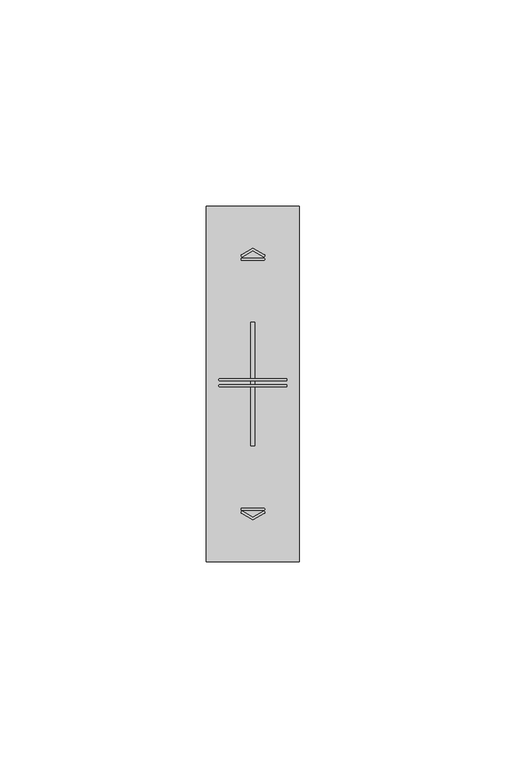
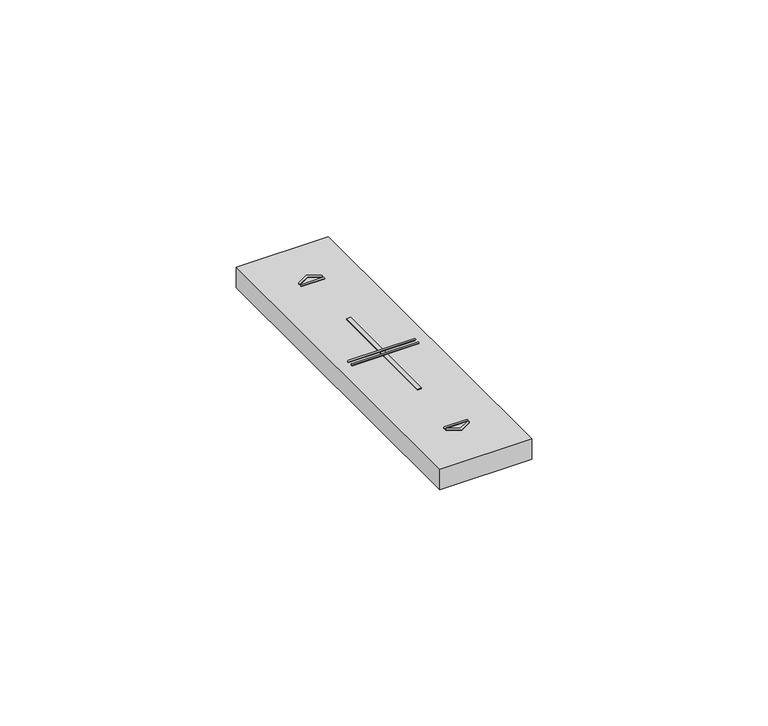
"""IFC4 building model written with IfcOpenShell, lengths in millimetres: proxy geometry."""

from ifc_helpers import new_model, si_unit, point, frame, frame_2d, origin, place, context, project, spatial, polyline, circle_curve, trimmed, segment, composite_curve, outline, extrude, source, transform, mapped, element, save


def electrical_fixtures_6e4eb316(model_context):
    return source(origin(), model_context, "Body", "SweptSolid", [
        extrude(outline(composite_curve([segment(polyline([(8.5092079, 74.3175033), (11.25, 75.8674578), (13.9907962, 74.3175011)]), True, "CONTINUOUS"), segment(trimmed(circle_curve(frame_2d((13.858088, 74.0828325)), 0.2695938), [point((13.9907962, 74.3175011))], [point((13.7253797, 73.8481639))], False, "CARTESIAN"), True, "CONTINUOUS"), segment(polyline([(13.7253797, 73.8481639), (11.25, 75.2480241), (8.7746243, 73.8481662)]), True, "CONTINUOUS"), segment(trimmed(circle_curve(frame_2d((8.6419161, 74.0828348)), 0.2695938), [point((8.7746243, 73.8481662))], [point((8.5092079, 74.3175033))], False, "CARTESIAN"), True, "CONTINUOUS")], self_intersect=False)), frame((0.0, 0.0, 10.7), z_axis=(0.0, 0.0, 1.0), x_axis=(1.0, 0.0, 0.0)), (0.0, 0.0, 1.0), 0.1652311),
        extrude(outline(composite_curve([segment(polyline([(3.2466743, 44.2699983), (19.2533298, 44.2699983)]), True, "CONTINUOUS"), segment(trimmed(circle_curve(frame_2d((19.2533298, 44.0206464)), 0.249352), [point((19.2533298, 44.2699983))], [point((19.2533298, 43.7712944))], False, "CARTESIAN"), True, "CONTINUOUS"), segment(polyline([(19.2533298, 43.7712944), (3.2466743, 43.7712944)]), True, "CONTINUOUS"), segment(trimmed(circle_curve(frame_2d((3.2466743, 44.0206464)), 0.249352), [point((3.2466743, 43.7712944))], [point((3.2466743, 44.2699983))], False, "CARTESIAN"), True, "CONTINUOUS")], self_intersect=False)), frame((0.0, 0.0, 10.7), z_axis=(0.0, 0.0, 1.0), x_axis=(1.0, 0.0, 0.0)), (0.0, 0.0, 1.0), 0.1652311),
        extrude(outline(composite_curve([segment(trimmed(circle_curve(frame_2d((8.6419161, 11.9171652)), 0.2695938), [point((8.5092079, 11.6824967))], [point((8.7746243, 12.1518338))], False, "CARTESIAN"), True, "CONTINUOUS"), segment(polyline([(8.7746243, 12.1518338), (11.25, 10.7519759), (13.7253797, 12.1518361)]), True, "CONTINUOUS"), segment(trimmed(circle_curve(frame_2d((13.858088, 11.9171675)), 0.2695938), [point((13.7253797, 12.1518361))], [point((13.9907962, 11.6824989))], False, "CARTESIAN"), True, "CONTINUOUS"), segment(polyline([(13.9907962, 11.6824989), (11.25, 10.1325422), (8.5092079, 11.6824967)]), True, "CONTINUOUS")], self_intersect=False)), frame((0.0, 0.0, 10.7), z_axis=(0.0, 0.0, 1.0), x_axis=(1.0, 0.0, 0.0)), (0.0, 0.0, 1.0), 0.1652311),
        extrude(outline(composite_curve([segment(trimmed(circle_curve(frame_2d((8.6216743, 73.2222454)), 0.249352), [point((8.6216743, 72.9728934))], [point((8.6216743, 73.4715974))], False, "CARTESIAN"), True, "CONTINUOUS"), segment(polyline([(8.6216743, 73.4715974), (13.8783298, 73.4715974)]), True, "CONTINUOUS"), segment(trimmed(circle_curve(frame_2d((13.8783298, 73.2222454)), 0.249352), [point((13.8783298, 73.4715974))], [point((13.8783298, 72.9728934))], False, "CARTESIAN"), True, "CONTINUOUS"), segment(polyline([(13.8783298, 72.9728934), (8.6216743, 72.9728934)]), True, "CONTINUOUS")], self_intersect=False)), frame((0.0, 0.0, 10.7), z_axis=(0.0, 0.0, 1.0), x_axis=(1.0, 0.0, 0.0)), (0.0, 0.0, 1.0), 0.1652311),
        extrude(outline(composite_curve([segment(polyline([(3.2466743, 42.840784), (19.2533298, 42.840784)]), True, "CONTINUOUS"), segment(trimmed(circle_curve(frame_2d((19.2533298, 42.591432)), 0.249352), [point((19.2533298, 42.840784))], [point((19.2533298, 42.34208))], False, "CARTESIAN"), True, "CONTINUOUS"), segment(polyline([(19.2533298, 42.34208), (3.2466743, 42.34208)]), True, "CONTINUOUS"), segment(trimmed(circle_curve(frame_2d((3.2466743, 42.591432)), 0.249352), [point((3.2466743, 42.34208))], [point((3.2466743, 42.840784))], False, "CARTESIAN"), True, "CONTINUOUS")], self_intersect=False)), frame((0.0, 0.0, 10.7), z_axis=(0.0, 0.0, 1.0), x_axis=(1.0, 0.0, 0.0)), (0.0, 0.0, 1.0), 0.1652311),
        extrude(outline(composite_curve([segment(trimmed(circle_curve(frame_2d((8.6216743, 12.6535816)), 0.249352), [point((8.6216743, 12.4042296))], [point((8.6216743, 12.9029336))], False, "CARTESIAN"), True, "CONTINUOUS"), segment(polyline([(8.6216743, 12.9029336), (13.8783298, 12.9029336)]), True, "CONTINUOUS"), segment(trimmed(circle_curve(frame_2d((13.8783298, 12.6535816)), 0.249352), [point((13.8783298, 12.9029336))], [point((13.8783298, 12.4042296))], False, "CARTESIAN"), True, "CONTINUOUS"), segment(polyline([(13.8783298, 12.4042296), (8.6216743, 12.4042296)]), True, "CONTINUOUS")], self_intersect=False)), frame((0.0, 0.0, 10.7), z_axis=(0.0, 0.0, 1.0), x_axis=(1.0, 0.0, 0.0)), (0.0, 0.0, 1.0), 0.1652311),
        extrude(outline(polyline([(10.75, 58.0), (11.75, 58.0), (11.75, 28.0), (10.75, 28.0), (10.75, 58.0)])), frame((0.0, 0.0, 5.5), z_axis=(0.0, 0.0, 1.0), x_axis=(1.0, 0.0, 0.0)), (0.0, 0.0, 1.0), 5.2),
        extrude(outline(polyline([(0.0, 0.0), (0.0, 86.0), (22.5, 86.0), (22.5, 0.0), (0.0, 0.0)]), holes=[polyline([(10.75, 58.0), (10.75, 28.0), (11.75, 28.0), (11.75, 58.0), (10.75, 58.0)])]), frame((0.0, 0.0, 5.5), z_axis=(0.0, 0.0, 1.0), x_axis=(1.0, 0.0, 0.0)), (0.0, 0.0, 1.0), 5.2),
    ])


if __name__ == "__main__":
    model = new_model("IFC4")
    model_context = context("Model", 3, world=origin())
    ifc_project = project(units=[si_unit("LENGTHUNIT", "METRE", prefix="MILLI")], contexts=[model_context])
    site = spatial("IfcSite", under=ifc_project)
    building = spatial("IfcBuilding", under=site)
    placement = place(None, origin())
    electrical_fixtures_shape = electrical_fixtures_6e4eb316(model_context)
    element("IfcBuildingElementProxy", 1, Name="Electrical Fixtures", at=placement, inside=building, context=model_context, shape_type="MappedRepresentation", body=[
        mapped(electrical_fixtures_shape, transform((0.0, 0.0, 0.0), x_axis=(1.0, 0.0, 0.0), y_axis=(0.0, 1.0, 0.0), z_axis=(0.0, 0.0, 1.0))),
    ])
    save(model, "model.ifc")
